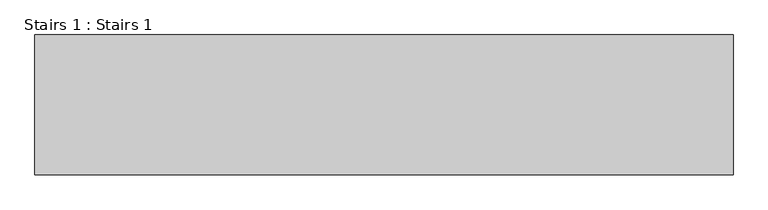
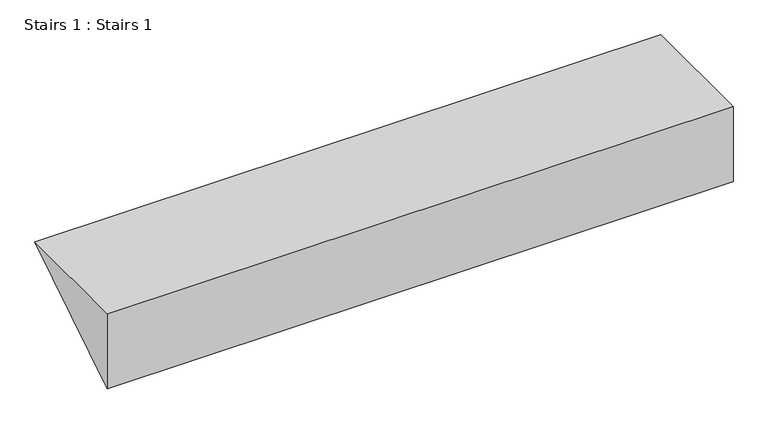
"""IFC4 building model written with IfcOpenShell, lengths in millimetres: stair geometry, Stairs 1 : Stairs 1."""

from ifc_helpers import new_model, si_unit, frame, origin, place, context, project, spatial, polyline, outline, extrude, source, transform, mapped, element, save


def stairs_1_stairs_1_cad0b6e2(model_context):
    return source(origin(), model_context, "Body", "SweptSolid", [
        extrude(outline(polyline([(-6184.0672499, 1838.5794821), (-6184.0672499, 2020.0), (-5897.882771, 2020.0), (-6184.0672499, 1838.5794821)])), frame((-32245.6912908, 0.0, 0.0), z_axis=(1.0, 0.0, 0.0), x_axis=(0.0, 1.0, 0.0)), (0.0, 0.0, 1.0), 1430.0),
    ])


if __name__ == "__main__":
    model = new_model("IFC4")
    model_context = context("Model", 3, world=origin())
    ifc_project = project(units=[si_unit("LENGTHUNIT", "METRE", prefix="MILLI")], contexts=[model_context])
    site = spatial("IfcSite", under=ifc_project)
    building = spatial("IfcBuilding", under=site)
    placement = place(None, origin())
    stairs_1_stairs_1_shape = stairs_1_stairs_1_cad0b6e2(model_context)
    element("IfcStair", 1, ObjectType="Stairs 1 : Stairs 1", at=placement, inside=building, context=model_context, shape_type="MappedRepresentation", body=[
        mapped(stairs_1_stairs_1_shape, transform((0.0, 0.0, 0.0), x_axis=(1.0, 0.0, 0.0), y_axis=(0.0, 1.0, 0.0), z_axis=(0.0, 0.0, 1.0))),
    ])
    save(model, "model.ifc")
